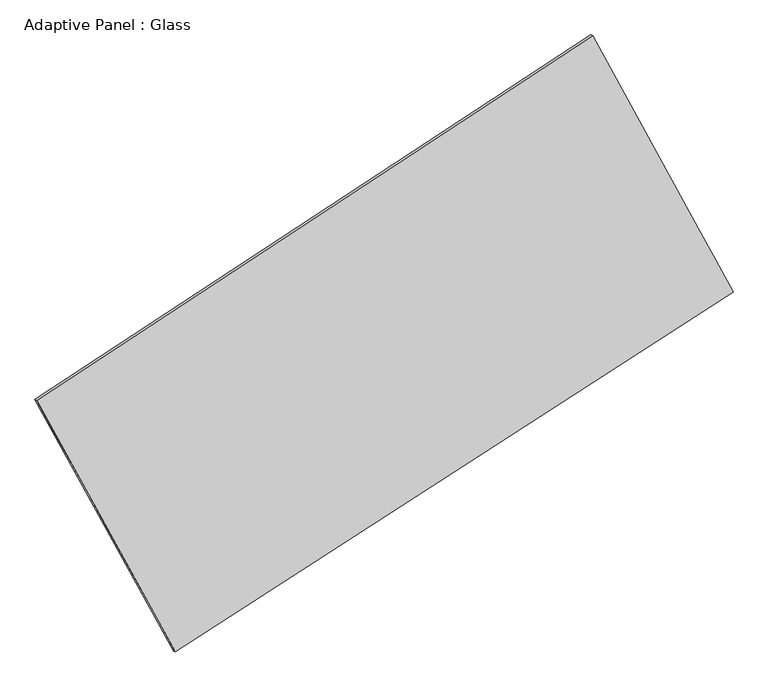
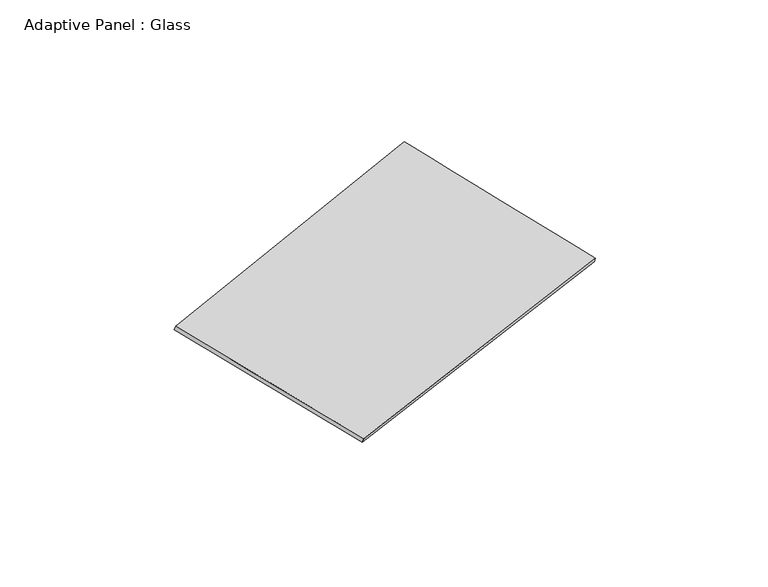
"""IFC4 building model written with IfcOpenShell, lengths in millimetres: plate geometry, Adaptive Panel : Glass."""

from ifc_helpers import new_model, si_unit, frame, origin, place, context, project, spatial, source, transform, mapped, element, save
from ifc_brep_helpers import plane_surface, spline_surface, advanced_brep


def adaptive_panel_glass_5912abec(model_context):
    return source(origin(), model_context, "Body", "AdvancedBrep", [
        advanced_brep(
        [(1161.9343777, 2594.9190035, 680.6974509), (-3679.4818255, -582.5942173, 1736.1128556), (-3664.8154696, -588.9743108, 1783.4857636), (1176.6007335, 2588.53891, 728.0703589), (-2471.0650963, -2774.5723979, 1082.4546638), (-2456.3987405, -2780.9524913, 1129.8275718), (2385.321966, 361.9990388, -14.1424501), (2399.9883218, 355.6189454, 33.2304579)],
        [
            (0, 1),
            (1, 2),
            (2, 3),
            (3, 0),
            (1, 4),
            (4, 5),
            (5, 2),
            (4, 6),
            (6, 7),
            (7, 5),
            (6, 0),
            (3, 7),
        ],
        [
            plane_surface(frame((-1258.7737239, 1006.1623931, 1208.4051533), z_axis=(-0.48856563599059605, 0.8318547164092067, 0.2632894796927191), x_axis=(-0.822473730642751, -0.5398050990037911, 0.17929700915548621))),
            plane_surface(frame((-3075.2734609, -1678.5833076, 1409.2837597), z_axis=(-0.8350573135097418, -0.5167019751563254, 0.188940075218163), x_axis=(0.4671203169405011, -0.8473215553111616, -0.25267526868785545))),
            plane_surface(frame((-42.8715652, -1206.2866795, 534.1561069), z_axis=(0.4812546134770917, -0.836614797688586, -0.2616671116046144), x_axis=(0.8253112585124657, 0.5330398270635613, -0.1863595163564738))),
            plane_surface(frame((1773.6281718, 1478.4590212, 333.2775004), z_axis=(0.8352111070654422, 0.5164221267870287, -0.18902537818843423), x_axis=(-0.46354370608828754, 0.8460572967103291, 0.26327605897450196))),
            spline_surface(1, 1, [[(-3664.8154696, -588.9743108, 1783.4857636), (1176.6007335, 2588.53891, 728.0703589)], [(-2456.3987405, -2780.9524913, 1129.8275718), (2399.9883218, 355.6189454, 33.2304579)]], [2, 2], [2, 2], [0.0, 1.0], [0.0, 1.0]),
            spline_surface(1, 1, [[(2385.321966, 361.9990388, -14.1424501), (1161.9343777, 2594.9190035, 680.6974509)], [(-2471.0650963, -2774.5723979, 1082.4546638), (-3679.4818255, -582.5942173, 1736.1128556)]], [2, 2], [2, 2], [0.0, 1.0], [0.0, 1.0]),
        ],
        [
            (0, [[1, 2, 3, 4]]),
            (1, [[5, 6, 7, -2]]),
            (2, [[8, 9, 10, -6]]),
            (3, [[11, -4, 12, -9]]),
            (4, [[-3, -7, -10, -12]]),
            (5, [[-11, -8, -5, -1]]),
        ],
    ),
    ])


if __name__ == "__main__":
    model = new_model("IFC4")
    model_context = context("Model", 3, world=origin())
    ifc_project = project(units=[si_unit("LENGTHUNIT", "METRE", prefix="MILLI")], contexts=[model_context])
    site = spatial("IfcSite", under=ifc_project)
    building = spatial("IfcBuilding", under=site)
    placement = place(None, origin())
    adaptive_panel_glass_shape = adaptive_panel_glass_5912abec(model_context)
    element("IfcPlate", 1, ObjectType="Adaptive Panel : Glass", at=placement, inside=building, context=model_context, shape_type="MappedRepresentation", body=[
        mapped(adaptive_panel_glass_shape, transform((0.0, 0.0, 0.0), x_axis=(1.0, 0.0, 0.0), y_axis=(0.0, 1.0, 0.0), z_axis=(0.0, 0.0, 1.0))),
    ])
    save(model, "model.ifc")
